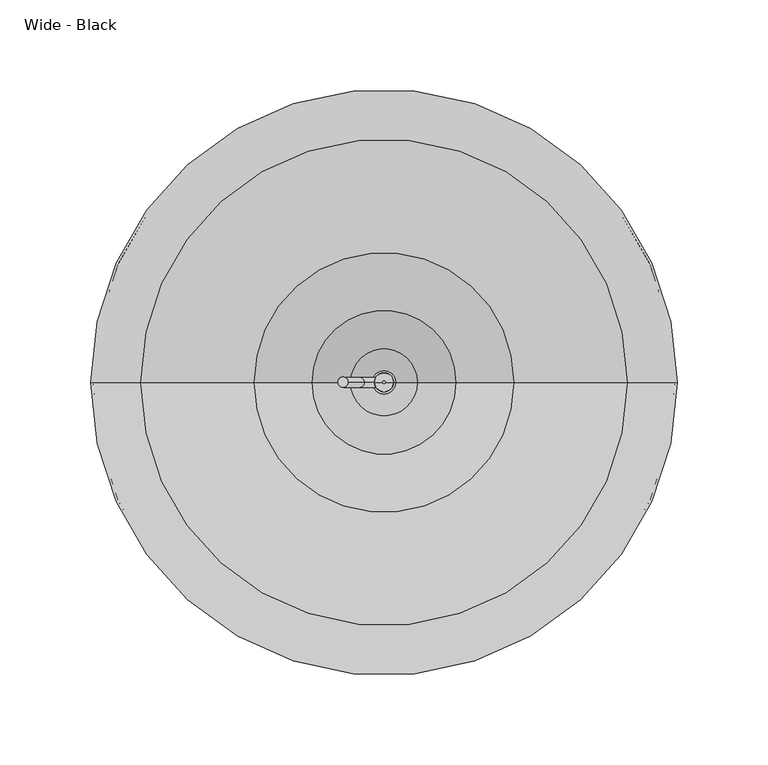
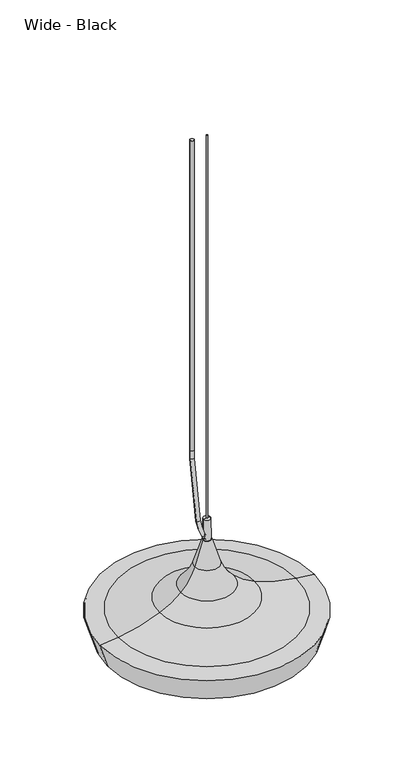
"""IFC4 building model written with IfcOpenShell, lengths in millimetres: furniture geometry, Wide - Black."""

from ifc_helpers import new_model, si_unit, point, frame, origin, origin_2d, place, context, project, spatial, polyline, circle_curve, ellipse_curve, trimmed, segment, composite_curve, outline, extrude, source, transform, mapped, element, save
from ifc_brep_helpers import plane_surface, cylinder_surface, revolved_surface, advanced_brep


def wide_black_3c27f85a(model_context):
    return source(origin(), model_context, "Body", "SolidModel", [
        advanced_brep(
        [(148.6819928, 0.0, 1493.4788548), (-148.6819928, 0.0, 1493.4788548), (-149.6513487, 0.0, 1493.1745438), (149.6513487, 0.0, 1493.1745438), (159.8781253, 0.0, 1529.1431485), (-159.8781253, 0.0, 1529.1431485), (133.6536966, 0.0, 1532.3646468), (-133.6536966, 0.0, 1532.3646468), (70.9980535, 0.0, 1550.0512448), (-70.9980535, 0.0, 1550.0512448), (38.7962036, 0.0, 1571.2015462), (-38.7962036, 0.0, 1571.2015462), (17.4060737, 0.0, 1605.0725587), (-17.4060737, 0.0, 1605.0725587), (15.7754313, 0.0, 1605.0725587), (-15.7754313, 0.0, 1605.0725587), (15.7754423, 0.0, 1546.9954535), (-15.7754423, 0.0, 1546.9954535), (14.8316313, 0.0, 1546.9954535), (-14.8316313, 0.0, 1546.9954535), (14.8316313, 0.0, 1549.1213093), (-14.8316313, 0.0, 1549.1213093), (12.010771, 0.0, 1549.1213093), (-12.010771, 0.0, 1549.1213093), (12.0107637, 0.0, 1561.7506783), (-12.0107637, 0.0, 1561.7506783), (-2.1e-05, 0.0, 1561.7506783), (5.2520871, 0.0, 1676.4), (-5.2520871, 0.0, 1676.4), (0.0, 0.0, 1676.4), (5.3236589, 0.0, 1643.771105), (-5.3236589, 0.0, 1643.771105), (6.3772094, 0.0, 1643.771105), (-6.3772094, 0.0, 1643.771105), (18.3542519, 0.0, 1605.4445291), (-18.3542519, 0.0, 1605.4445291), (39.4873063, 0.0, 1571.9462831), (-39.4873063, 0.0, 1571.9462831), (71.4069741, 0.0, 1550.98132), (-71.4069741, 0.0, 1550.98132), (133.7914701, 0.0, 1533.3712621), (-133.7914701, 0.0, 1533.3712621), (161.2183026, 0.0, 1530.0200563), (-161.2183026, 0.0, 1530.0200563)],
        [
            (0, 1, circle_curve(frame((0.0, 0.0, 1493.4788548), z_axis=(0.0, 0.0, 1.0), x_axis=(-1.0, 0.0, 0.0)), 148.6819928)),
            (1, 2),
            (2, 3, circle_curve(frame((0.0, 0.0, 1493.1745438), z_axis=(0.0, 0.0, -1.0), x_axis=(-1.0, 0.0, 0.0)), 149.6513487)),
            (3, 0),
            (1, 0, circle_curve(frame((0.0, 0.0, 1493.4788548), z_axis=(0.0, 0.0, 1.0), x_axis=(-1.0, 0.0, 0.0)), 148.6819928)),
            (3, 2, circle_curve(frame((0.0, 0.0, 1493.1745438), z_axis=(0.0, 0.0, -1.0), x_axis=(-1.0, 0.0, 0.0)), 149.6513487)),
            (4, 5, circle_curve(frame((0.0, 0.0, 1529.1431485), z_axis=(0.0, 0.0, 1.0), x_axis=(-1.0, 0.0, 0.0)), 159.8781253)),
            (5, 1),
            (0, 4),
            (5, 4, circle_curve(frame((0.0, 0.0, 1529.1431485), z_axis=(0.0, 0.0, 1.0), x_axis=(-1.0, 0.0, 0.0)), 159.8781253)),
            (6, 7, circle_curve(frame((0.0, 0.0, 1532.3646468), z_axis=(0.0, 0.0, 1.0), x_axis=(-1.0, 0.0, 0.0)), 133.6536966)),
            (7, 5, circle_curve(frame((-263.5478922, 0.0, 2481.4111587), z_axis=(0.0, 1.0, 0.0), x_axis=(1.0, 0.0, 0.0)), 957.8944534)),
            (4, 6, circle_curve(frame((263.5478922, 0.0, 2481.4111587), z_axis=(0.0, 1.0, 0.0), x_axis=(-1.0, 0.0, 0.0)), 957.8944534)),
            (7, 6, circle_curve(frame((0.0, 0.0, 1532.3646468), z_axis=(0.0, 0.0, 1.0), x_axis=(-1.0, 0.0, 0.0)), 133.6536966)),
            (8, 9, circle_curve(frame((0.0, 0.0, 1550.0512448), z_axis=(0.0, 0.0, 1.0), x_axis=(-1.0, 0.0, 0.0)), 70.9980535)),
            (9, 7, circle_curve(frame((-165.4898934, 0.0, 1764.9695867), z_axis=(0.0, 1.0, 0.0), x_axis=(1.0, 0.0, 0.0)), 234.7735111)),
            (6, 8, circle_curve(frame((165.4898934, 0.0, 1764.9695867), z_axis=(0.0, 1.0, 0.0), x_axis=(-1.0, 0.0, 0.0)), 234.7735111)),
            (9, 8, circle_curve(frame((0.0, 0.0, 1550.0512448), z_axis=(0.0, 0.0, 1.0), x_axis=(-1.0, 0.0, 0.0)), 70.9980535)),
            (10, 11, circle_curve(frame((0.0, 0.0, 1571.2015462), z_axis=(0.0, 0.0, 1.0), x_axis=(-1.0, 0.0, 0.0)), 38.7962036)),
            (11, 9, circle_curve(frame((-117.6629387, 0.0, 1656.1888728), z_axis=(0.0, 1.0, 0.0), x_axis=(1.0, 0.0, 0.0)), 115.9431222)),
            (8, 10, circle_curve(frame((117.6629387, 0.0, 1656.1888728), z_axis=(0.0, 1.0, 0.0), x_axis=(-1.0, 0.0, 0.0)), 115.9431222)),
            (11, 10, circle_curve(frame((0.0, 0.0, 1571.2015462), z_axis=(0.0, 0.0, 1.0), x_axis=(-1.0, 0.0, 0.0)), 38.7962036)),
            (12, 13, circle_curve(frame((0.0, 0.0, 1605.0725587), z_axis=(0.0, 0.0, 1.0), x_axis=(-1.0, 0.0, 0.0)), 17.4060737)),
            (13, 11, circle_curve(frame((-91.901301, 0.0, 1628.4279579), z_axis=(0.0, 1.0, 0.0), x_axis=(1.0, 0.0, 0.0)), 78.0705679)),
            (10, 12, circle_curve(frame((91.901301, 0.0, 1628.4279579), z_axis=(0.0, 1.0, 0.0), x_axis=(-1.0, 0.0, 0.0)), 78.0705679)),
            (13, 12, circle_curve(frame((0.0, 0.0, 1605.0725587), z_axis=(0.0, 0.0, 1.0), x_axis=(-1.0, 0.0, 0.0)), 17.4060737)),
            (14, 15, circle_curve(frame((0.0, 0.0, 1605.0725587), z_axis=(0.0, 0.0, 1.0), x_axis=(-1.0, 0.0, 0.0)), 15.7754313)),
            (15, 13),
            (12, 14),
            (15, 14, circle_curve(frame((0.0, 0.0, 1605.0725587), z_axis=(0.0, 0.0, 1.0), x_axis=(-1.0, 0.0, 0.0)), 15.7754313)),
            (16, 17, circle_curve(frame((0.0, 0.0, 1546.9954535), z_axis=(0.0, 0.0, 1.0), x_axis=(-1.0, 0.0, 0.0)), 15.7754423)),
            (17, 15),
            (14, 16),
            (17, 16, circle_curve(frame((0.0, 0.0, 1546.9954535), z_axis=(0.0, 0.0, 1.0), x_axis=(-1.0, 0.0, 0.0)), 15.7754423)),
            (18, 19, circle_curve(frame((0.0, 0.0, 1546.9954535), z_axis=(0.0, 0.0, 1.0), x_axis=(-1.0, 0.0, 0.0)), 14.8316313)),
            (19, 17),
            (16, 18),
            (19, 18, circle_curve(frame((0.0, 0.0, 1546.9954535), z_axis=(0.0, 0.0, 1.0), x_axis=(-1.0, 0.0, 0.0)), 14.8316313)),
            (20, 21, circle_curve(frame((0.0, 0.0, 1549.1213093), z_axis=(0.0, 0.0, 1.0), x_axis=(-1.0, 0.0, 0.0)), 14.8316313)),
            (21, 19),
            (18, 20),
            (21, 20, circle_curve(frame((0.0, 0.0, 1549.1213093), z_axis=(0.0, 0.0, 1.0), x_axis=(-1.0, 0.0, 0.0)), 14.8316313)),
            (22, 23, circle_curve(frame((0.0, 0.0, 1549.1213093), z_axis=(0.0, 0.0, 1.0), x_axis=(-1.0, 0.0, 0.0)), 12.010771)),
            (23, 21),
            (20, 22),
            (23, 22, circle_curve(frame((0.0, 0.0, 1549.1213093), z_axis=(0.0, 0.0, 1.0), x_axis=(-1.0, 0.0, 0.0)), 12.010771)),
            (24, 25, circle_curve(frame((0.0, 0.0, 1561.7506783), z_axis=(0.0, 0.0, 1.0), x_axis=(-1.0, 0.0, 0.0)), 12.0107637)),
            (25, 23),
            (22, 24),
            (25, 24, circle_curve(frame((0.0, 0.0, 1561.7506783), z_axis=(0.0, 0.0, 1.0), x_axis=(-1.0, 0.0, 0.0)), 12.0107637)),
            (26, 25),
            (24, 26),
            (27, 28, circle_curve(frame((0.0, 0.0, 1676.4), z_axis=(0.0, 0.0, 1.0), x_axis=(-1.0, 0.0, 0.0)), 5.2520871)),
            (28, 29),
            (29, 27),
            (28, 27, circle_curve(frame((0.0, 0.0, 1676.4), z_axis=(0.0, 0.0, 1.0), x_axis=(-1.0, 0.0, 0.0)), 5.2520871)),
            (30, 31, circle_curve(frame((0.0, 0.0, 1643.771105), z_axis=(0.0, 0.0, 1.0), x_axis=(-1.0, 0.0, 0.0)), 5.3236589)),
            (31, 28),
            (27, 30),
            (31, 30, circle_curve(frame((0.0, 0.0, 1643.771105), z_axis=(0.0, 0.0, 1.0), x_axis=(-1.0, 0.0, 0.0)), 5.3236589)),
            (32, 33, circle_curve(frame((0.0, 0.0, 1643.771105), z_axis=(0.0, 0.0, 1.0), x_axis=(-1.0, 0.0, 0.0)), 6.3772094)),
            (33, 31),
            (30, 32),
            (33, 32, circle_curve(frame((0.0, 0.0, 1643.771105), z_axis=(0.0, 0.0, 1.0), x_axis=(-1.0, 0.0, 0.0)), 6.3772094)),
            (34, 35, circle_curve(frame((0.0, 0.0, 1605.4445291), z_axis=(0.0, 0.0, 1.0), x_axis=(-1.0, 0.0, 0.0)), 18.3542519)),
            (35, 33),
            (32, 34),
            (35, 34, circle_curve(frame((0.0, 0.0, 1605.4445291), z_axis=(0.0, 0.0, 1.0), x_axis=(-1.0, 0.0, 0.0)), 18.3542519)),
            (36, 37, circle_curve(frame((0.0, 0.0, 1571.9462831), z_axis=(0.0, 0.0, 1.0), x_axis=(-1.0, 0.0, 0.0)), 39.4873063)),
            (37, 35, circle_curve(frame((-91.901301, 0.0, 1628.4279579), z_axis=(0.0, -1.0, 0.0), x_axis=(1.0, 0.0, 0.0)), 77.0545679)),
            (34, 36, circle_curve(frame((91.901301, 0.0, 1628.4279579), z_axis=(0.0, -1.0, 0.0), x_axis=(-1.0, 0.0, 0.0)), 77.0545679)),
            (37, 36, circle_curve(frame((0.0, 0.0, 1571.9462831), z_axis=(0.0, 0.0, 1.0), x_axis=(-1.0, 0.0, 0.0)), 39.4873063)),
            (38, 39, circle_curve(frame((0.0, 0.0, 1550.98132), z_axis=(0.0, 0.0, 1.0), x_axis=(-1.0, 0.0, 0.0)), 71.4069741)),
            (39, 37, circle_curve(frame((-117.6629387, 0.0, 1656.1888728), z_axis=(0.0, -1.0, 0.0), x_axis=(1.0, 0.0, 0.0)), 114.9271222)),
            (36, 38, circle_curve(frame((117.6629387, 0.0, 1656.1888728), z_axis=(0.0, -1.0, 0.0), x_axis=(-1.0, 0.0, 0.0)), 114.9271222)),
            (39, 38, circle_curve(frame((0.0, 0.0, 1550.98132), z_axis=(0.0, 0.0, 1.0), x_axis=(-1.0, 0.0, 0.0)), 71.4069741)),
            (40, 41, circle_curve(frame((0.0, 0.0, 1533.3712621), z_axis=(0.0, 0.0, 1.0), x_axis=(-1.0, 0.0, 0.0)), 133.7914701)),
            (41, 39, circle_curve(frame((-165.4898934, 0.0, 1764.9695867), z_axis=(0.0, -1.0, 0.0), x_axis=(1.0, 0.0, 0.0)), 233.7575111)),
            (38, 40, circle_curve(frame((165.4898934, 0.0, 1764.9695867), z_axis=(0.0, -1.0, 0.0), x_axis=(-1.0, 0.0, 0.0)), 233.7575111)),
            (41, 40, circle_curve(frame((0.0, 0.0, 1533.3712621), z_axis=(0.0, 0.0, 1.0), x_axis=(-1.0, 0.0, 0.0)), 133.7914701)),
            (42, 43, circle_curve(frame((0.0, 0.0, 1530.0200563), z_axis=(0.0, 0.0, 1.0), x_axis=(-1.0, 0.0, 0.0)), 161.2183026)),
            (43, 41, circle_curve(frame((-263.5478922, 0.0, 2481.4111587), z_axis=(0.0, -1.0, 0.0), x_axis=(1.0, 0.0, 0.0)), 956.8784534)),
            (40, 42, circle_curve(frame((263.5478922, 0.0, 2481.4111587), z_axis=(0.0, -1.0, 0.0), x_axis=(-1.0, 0.0, 0.0)), 956.8784534)),
            (43, 42, circle_curve(frame((0.0, 0.0, 1530.0200563), z_axis=(0.0, 0.0, 1.0), x_axis=(-1.0, 0.0, 0.0)), 161.2183026)),
            (2, 43),
            (42, 3),
        ],
        [
            revolved_surface(polyline([(-149.6513487, 0.0, 1493.1745438), (-148.6819928, 0.0, 1493.4788548)]), (0.0, 0.0, 1470.7954497), (0.0, 0.0, -1.0)),
            revolved_surface(polyline([(-148.6819928, 0.0, 1493.4788548), (-159.8781253, 0.0, 1529.1431485)]), (0.0, 0.0, 1470.7954497), (0.0, 0.0, -1.0)),
            revolved_surface(trimmed(ellipse_curve(frame((-263.5478922, 0.0, 2481.4111587), z_axis=(0.0, -1.0, 0.0), x_axis=(1.0, 0.0, 0.0)), 957.8944534, 957.8944534), [point((-159.8781253, 0.0, 1529.1431485))], [point((-133.6536966, 0.0, 1532.3646468))], True, "CARTESIAN"), (0.0, 0.0, 1470.7954497), (0.0, 0.0, -1.0)),
            revolved_surface(trimmed(ellipse_curve(frame((-165.4898934, 0.0, 1764.9695867), z_axis=(0.0, -1.0, 0.0), x_axis=(1.0, 0.0, 0.0)), 234.7735111, 234.7735111), [point((-133.6536966, 0.0, 1532.3646468))], [point((-70.9980535, 0.0, 1550.0512448))], True, "CARTESIAN"), (0.0, 0.0, 1470.7954497), (0.0, 0.0, -1.0)),
            revolved_surface(trimmed(ellipse_curve(frame((-117.6629387, 0.0, 1656.1888728), z_axis=(0.0, -1.0, 0.0), x_axis=(1.0, 0.0, 0.0)), 115.9431222, 115.9431222), [point((-70.9980535, 0.0, 1550.0512448))], [point((-38.7962036, 0.0, 1571.2015462))], True, "CARTESIAN"), (0.0, 0.0, 1470.7954497), (0.0, 0.0, -1.0)),
            revolved_surface(trimmed(ellipse_curve(frame((-91.901301, 0.0, 1628.4279579), z_axis=(0.0, -1.0, 0.0), x_axis=(1.0, 0.0, 0.0)), 78.0705679, 78.0705679), [point((-38.7962036, 0.0, 1571.2015462))], [point((-17.4060737, 0.0, 1605.0725587))], True, "CARTESIAN"), (0.0, 0.0, 1470.7954497), (0.0, 0.0, -1.0)),
            plane_surface(frame((0.0, 0.0, 1605.0725587), z_axis=(0.0, 0.0, -1.0), x_axis=(-1.0, 0.0, 0.0))),
            cylinder_surface(frame((0.0, 0.0, 1470.7954497), z_axis=(0.0, 0.0, -1.0), x_axis=(-1.0, 0.0, 0.0)), 15.7754423),
            plane_surface(frame((0.0, 0.0, 1546.9954535), z_axis=(0.0, 0.0, -1.0), x_axis=(-1.0, 0.0, 0.0))),
            revolved_surface(polyline([(-14.8316313, 0.0, 1546.9954535), (-14.8316313, 0.0, 1549.1213093)]), (0.0, 0.0, 1470.7954497), (0.0, 0.0, -1.0)),
            plane_surface(frame((0.0, 0.0, 1549.1213093), z_axis=(0.0, 0.0, -1.0), x_axis=(-1.0, 0.0, 0.0))),
            revolved_surface(polyline([(-12.0107637, 0.0, 1549.1213093), (-12.0107637, 0.0, 1561.7506783)]), (0.0, 0.0, 1470.7954497), (0.0, 0.0, -1.0)),
            plane_surface(frame((0.0, 0.0, 1561.7506783), z_axis=(0.0, 0.0, -1.0), x_axis=(-1.0, 0.0, 0.0))),
            plane_surface(frame((0.0, 0.0, 1676.4), z_axis=(0.0, 0.0, 1.0), x_axis=(-1.0, 0.0, 0.0))),
            revolved_surface(polyline([(-5.2520871, 0.0, 1676.4), (-5.3236589, 0.0, 1643.771105)]), (0.0, 0.0, 1470.7954497), (0.0, 0.0, -1.0)),
            plane_surface(frame((0.0, 0.0, 1643.771105), z_axis=(0.0, 0.0, 1.0), x_axis=(-1.0, 0.0, 0.0))),
            revolved_surface(polyline([(-6.3772094, 0.0, 1643.771105), (-18.3542519, 0.0, 1605.4445291)]), (0.0, 0.0, 1470.7954497), (0.0, 0.0, -1.0)),
            revolved_surface(trimmed(ellipse_curve(frame((-91.901301, 0.0, 1628.4279579), z_axis=(0.0, 1.0, 0.0), x_axis=(1.0, 0.0, 0.0)), 77.0545679, 77.0545679), [point((-18.3542519, 0.0, 1605.4445291))], [point((-39.4873063, 0.0, 1571.9462831))], True, "CARTESIAN"), (0.0, 0.0, 1470.7954497), (0.0, 0.0, -1.0)),
            revolved_surface(trimmed(ellipse_curve(frame((-117.6629387, 0.0, 1656.1888728), z_axis=(0.0, 1.0, 0.0), x_axis=(1.0, 0.0, 0.0)), 114.9271222, 114.9271222), [point((-39.4873063, 0.0, 1571.9462831))], [point((-71.4069741, 0.0, 1550.98132))], True, "CARTESIAN"), (0.0, 0.0, 1470.7954497), (0.0, 0.0, -1.0)),
            revolved_surface(trimmed(ellipse_curve(frame((-165.4898934, 0.0, 1764.9695867), z_axis=(0.0, 1.0, 0.0), x_axis=(1.0, 0.0, 0.0)), 233.7575111, 233.7575111), [point((-71.4069741, 0.0, 1550.98132))], [point((-133.7914701, 0.0, 1533.3712621))], True, "CARTESIAN"), (0.0, 0.0, 1470.7954497), (0.0, 0.0, -1.0)),
            revolved_surface(trimmed(ellipse_curve(frame((-263.5478922, 0.0, 2481.4111587), z_axis=(0.0, 1.0, 0.0), x_axis=(1.0, 0.0, 0.0)), 956.8784534, 956.8784534), [point((-133.7914701, 0.0, 1533.3712621))], [point((-161.2183026, 0.0, 1530.0200563))], True, "CARTESIAN"), (0.0, 0.0, 1470.7954497), (0.0, 0.0, -1.0)),
            revolved_surface(polyline([(-161.2183026, 0.0, 1530.0200563), (-149.6513487, 0.0, 1493.1745438)]), (0.0, 0.0, 1470.7954497), (0.0, 0.0, -1.0)),
        ],
        [
            (0, [[1, 2, 3, 4]]),
            (0, [[5, -4, 6, -2]]),
            (1, [[7, 8, -1, 9]]),
            (1, [[10, -9, -5, -8]]),
            (2, [[11, 12, -7, 13]]),
            (2, [[14, -13, -10, -12]]),
            (3, [[15, 16, -11, 17]]),
            (3, [[18, -17, -14, -16]]),
            (4, [[19, 20, -15, 21]]),
            (4, [[22, -21, -18, -20]]),
            (5, [[23, 24, -19, 25]]),
            (5, [[26, -25, -22, -24]]),
            (6, [[27, 28, -23, 29]]),
            (6, [[30, -29, -26, -28]]),
            (7, [[31, 32, -27, 33]]),
            (7, [[34, -33, -30, -32]]),
            (8, [[35, 36, -31, 37]]),
            (8, [[38, -37, -34, -36]]),
            (9, [[39, 40, -35, 41]]),
            (9, [[42, -41, -38, -40]]),
            (10, [[43, 44, -39, 45]]),
            (10, [[46, -45, -42, -44]]),
            (11, [[47, 48, -43, 49]]),
            (11, [[50, -49, -46, -48]]),
            (12, [[51, -47, 52]]),
            (12, [[-52, -50, -51]]),
            (13, [[53, 54, 55]]),
            (13, [[56, -55, -54]]),
            (14, [[57, 58, -53, 59]]),
            (14, [[60, -59, -56, -58]]),
            (15, [[61, 62, -57, 63]]),
            (15, [[64, -63, -60, -62]]),
            (16, [[65, 66, -61, 67]]),
            (16, [[68, -67, -64, -66]]),
            (17, [[69, 70, -65, 71]]),
            (17, [[72, -71, -68, -70]]),
            (18, [[73, 74, -69, 75]]),
            (18, [[76, -75, -72, -74]]),
            (19, [[77, 78, -73, 79]]),
            (19, [[80, -79, -76, -78]]),
            (20, [[81, 82, -77, 83]]),
            (20, [[84, -83, -80, -82]]),
            (21, [[-3, 85, -81, 86]]),
            (21, [[-6, -86, -84, -85]]),
        ],
    ),
        advanced_brep(
        [(0.6021357, 0.0, 1648.2557331), (-2.3682407, 0.0, 1643.5225938), (-2.7501211, 0.0, 1652.0709622), (-7.8260673, 0.0, 1649.7341878), (-10.6957994, 0.0, 1677.3833208), (-16.1966016, 0.0, 1676.4), (-19.741253, 0.0, 1779.3879205), (-25.329253, 0.0, 1779.3879205), (-19.741253, 0.0, 1792.0879204), (-25.329253, 0.0, 1792.0879204), (-25.329253, 0.0, 2286.0), (-19.741253, 0.0, 2286.0)],
        [
            (0, 1, circle_curve(frame((-0.8830525, 0.0, 1645.8891635), z_axis=(0.8470184882891747, 0.0, -0.5315634303602169), x_axis=(-0.5315634303602169, 0.0, -0.8470184882891747)), 2.794)),
            (1, 0, circle_curve(frame((-0.8830525, 0.0, 1645.8891635), z_axis=(0.8470184882891747, 0.0, -0.5315634303602169), x_axis=(-0.5315634303602169, 0.0, -0.8470184882891747)), 2.794)),
            (0, 2, circle_curve(frame((5.3312429, 0.0, 1655.7913177), z_axis=(0.0, 1.0, 0.0), x_axis=(-0.5315634303602169, 0.0, -0.8470184882891747)), 8.8965998)),
            (2, 3, circle_curve(frame((-5.2880942, 0.0, 1650.902575), z_axis=(0.41817723360666303, 0.0, -0.9083654558012861), x_axis=(-0.9083654558012861, 0.0, -0.41817723360666303)), 2.794)),
            (3, 1, circle_curve(frame((5.3312429, 0.0, 1655.7913177), z_axis=(0.0, -1.0, 0.0), x_axis=(-0.5315634303602169, 0.0, -0.8470184882891747)), 14.4845998)),
            (3, 2, circle_curve(frame((-5.2880942, 0.0, 1650.902575), z_axis=(0.41817723360663467, 0.0, -0.9083654558012992), x_axis=(-0.9083654558012992, 0.0, -0.41817723360663467)), 2.794)),
            (2, 4, circle_curve(frame((92.180486, 0.0, 1695.7734372), z_axis=(0.0, 1.0, 0.0), x_axis=(-0.9083654558013188, 0.0, -0.4181772336065921)), 104.5070643)),
            (4, 5, circle_curve(frame((-13.4462005, 0.0, 1676.8916604), z_axis=(0.1759700794087641, 0.0, -0.984395515609896), x_axis=(-0.984395515609896, 0.0, -0.1759700794087641)), 2.794)),
            (5, 3, circle_curve(frame((92.180486, 0.0, 1695.7734372), z_axis=(0.0, -1.0, 0.0), x_axis=(-0.9083654558013188, 0.0, -0.4181772336065921)), 110.0950643)),
            (5, 4, circle_curve(frame((-13.4462005, 0.0, 1676.8916604), z_axis=(0.17597007940876203, 0.0, -0.9843955156098965), x_axis=(-0.9843955156098965, 0.0, -0.17597007940876203)), 2.794)),
            (4, 6, circle_curve(frame((559.9288818, 0.0, 1779.3879205), z_axis=(0.0, 1.0, 0.0), x_axis=(-0.9843955156099008, 0.0, -0.1759700794087381)), 579.6701348)),
            (6, 7, circle_curve(frame((-22.535253, 0.0, 1779.3879205), z_axis=(0.0, 0.0, -1.0), x_axis=(-1.0, 0.0, 0.0)), 2.794)),
            (7, 5, circle_curve(frame((559.9288818, 0.0, 1779.3879205), z_axis=(0.0, -1.0, 0.0), x_axis=(-0.9843955156099008, 0.0, -0.1759700794087381)), 585.2581348)),
            (7, 6, circle_curve(frame((-22.535253, 0.0, 1779.3879205), z_axis=(0.0, 0.0, -0.9999999999999999), x_axis=(-0.9999999999999999, 0.0, 0.0)), 2.794)),
            (6, 8),
            (8, 9, circle_curve(frame((-22.535253, 0.0, 1792.0879204), z_axis=(0.0, 0.0, -1.0), x_axis=(-1.0, 0.0, 0.0)), 2.794)),
            (9, 7),
            (9, 8, circle_curve(frame((-22.535253, 0.0, 1792.0879204), z_axis=(0.0, 0.0, -1.0), x_axis=(-1.0, 0.0, 0.0)), 2.794)),
            (10, 11, circle_curve(frame((-22.535253, 0.0, 2286.0), z_axis=(0.0, 0.0, 1.0), x_axis=(1.0, 0.0, 0.0)), 2.794)),
            (11, 10, circle_curve(frame((-22.535253, 0.0, 2286.0), z_axis=(0.0, 0.0, 1.0), x_axis=(1.0, 0.0, 0.0)), 2.794)),
            (10, 9),
            (8, 11),
        ],
        [
            plane_surface(frame((-2.3682407, 0.0, 1643.5225938), z_axis=(0.8470184882891748, 0.0, -0.5315634303602169), x_axis=(0.0, -1.0, 0.0))),
            revolved_surface(trimmed(ellipse_curve(frame((-0.8830525, 0.0, 1645.8891635), z_axis=(0.8470184882891747, 0.0, -0.5315634303602169), x_axis=(-0.5315634303602169, 0.0, -0.8470184882891747)), 2.794, 2.794), [point((0.6021357, 0.0, 1648.2557331))], [point((-2.3682407, 0.0, 1643.5225938))], True, "CARTESIAN"), (5.3312429, 0.0, 1655.7913177), (0.0, 1.0, 0.0)),
            revolved_surface(trimmed(ellipse_curve(frame((-0.8830525, 0.0, 1645.8891635), z_axis=(0.8470184882891747, 0.0, -0.5315634303602169), x_axis=(-0.5315634303602169, 0.0, -0.8470184882891747)), 2.794, 2.794), [point((-2.3682407, 0.0, 1643.5225938))], [point((0.6021357, 0.0, 1648.2557331))], True, "CARTESIAN"), (5.3312429, 0.0, 1655.7913177), (0.0, 1.0, 0.0)),
            revolved_surface(trimmed(ellipse_curve(frame((-5.2880942, 0.0, 1650.902575), z_axis=(0.4181772336065922, 0.0, -0.9083654558013188), x_axis=(-0.9083654558013188, 0.0, -0.4181772336065922)), 2.794, 2.794), [point((-2.7501211, 0.0, 1652.0709622))], [point((-7.8260673, 0.0, 1649.7341878))], True, "CARTESIAN"), (92.180486, 0.0, 1695.7734372), (0.0, 1.0, 0.0)),
            revolved_surface(trimmed(ellipse_curve(frame((-5.2880942, 0.0, 1650.902575), z_axis=(0.4181772336065922, 0.0, -0.9083654558013188), x_axis=(-0.9083654558013188, 0.0, -0.4181772336065922)), 2.794, 2.794), [point((-7.8260673, 0.0, 1649.7341878))], [point((-2.7501211, 0.0, 1652.0709622))], True, "CARTESIAN"), (92.180486, 0.0, 1695.7734372), (0.0, 1.0, 0.0)),
            revolved_surface(trimmed(ellipse_curve(frame((-13.4462005, 0.0, 1676.8916604), z_axis=(0.17597007940873818, 0.0, -0.9843955156099008), x_axis=(-0.9843955156099008, 0.0, -0.17597007940873818)), 2.794, 2.794), [point((-10.6957994, 0.0, 1677.3833208))], [point((-16.1966016, 0.0, 1676.4))], True, "CARTESIAN"), (559.9288818, 0.0, 1779.3879205), (0.0, 1.0, 0.0)),
            revolved_surface(trimmed(ellipse_curve(frame((-13.4462005, 0.0, 1676.8916604), z_axis=(0.17597007940873818, 0.0, -0.9843955156099008), x_axis=(-0.9843955156099008, 0.0, -0.17597007940873818)), 2.794, 2.794), [point((-16.1966016, 0.0, 1676.4))], [point((-10.6957994, 0.0, 1677.3833208))], True, "CARTESIAN"), (559.9288818, 0.0, 1779.3879205), (0.0, 1.0, 0.0)),
            cylinder_surface(frame((-22.535253, 0.0, 1779.3879205), z_axis=(0.0, 0.0, -1.0), x_axis=(-1.0, 0.0, 0.0)), 2.794),
            plane_surface(frame((-19.741253, 0.0, 2286.0), z_axis=(0.0, 0.0, 1.0), x_axis=(0.0, 1.0, 0.0))),
            cylinder_surface(frame((-22.535253, 0.0, 1792.0879204), z_axis=(0.0, 0.0, 1.0), x_axis=(1.0, 0.0, 0.0)), 2.794),
        ],
        [
            (0, [[1, 2]]),
            (1, [[-1, 3, 4, 5]]),
            (2, [[-2, -5, 6, -3]]),
            (3, [[-4, 7, 8, 9]]),
            (4, [[-6, -9, 10, -7]]),
            (5, [[-8, 11, 12, 13]]),
            (6, [[-10, -13, 14, -11]]),
            (7, [[-12, 15, 16, 17]]),
            (7, [[-14, -17, 18, -15]]),
            (8, [[19, 20]]),
            (9, [[-19, 21, -16, 22]]),
            (9, [[-20, -22, -18, -21]]),
        ],
    ),
        extrude(outline(composite_curve([segment(trimmed(circle_curve(origin_2d(), 0.762), [point((-0.762, 0.0))], [point((0.762, 0.0))], False, "CARTESIAN"), True, "CONTINUOUS"), segment(trimmed(circle_curve(origin_2d(), 0.762), [point((0.762, 0.0))], [point((-0.762, 0.0))], False, "CARTESIAN"), True, "CONTINUOUS")], self_intersect=False)), frame((0.0, 0.0, 1676.4), z_axis=(0.0, 0.0, 1.0), x_axis=(1.0, 0.0, 0.0)), (0.0, 0.0, 1.0), 609.6),
    ])


if __name__ == "__main__":
    model = new_model("IFC4")
    model_context = context("Model", 3, world=origin())
    ifc_project = project(units=[si_unit("LENGTHUNIT", "METRE", prefix="MILLI")], contexts=[model_context])
    site = spatial("IfcSite", under=ifc_project)
    building = spatial("IfcBuilding", under=site)
    placement = place(None, origin())
    wide_black_shape = wide_black_3c27f85a(model_context)
    element("IfcFurniture", 1, ObjectType="Wide - Black", at=placement, inside=building, context=model_context, shape_type="MappedRepresentation", body=[
        mapped(wide_black_shape, transform((0.0, 0.0, 0.0), x_axis=(1.0, 0.0, 0.0), y_axis=(0.0, 1.0, 0.0), z_axis=(0.0, 0.0, 1.0))),
    ])
    save(model, "model.ifc")
